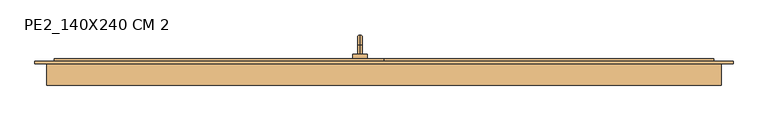
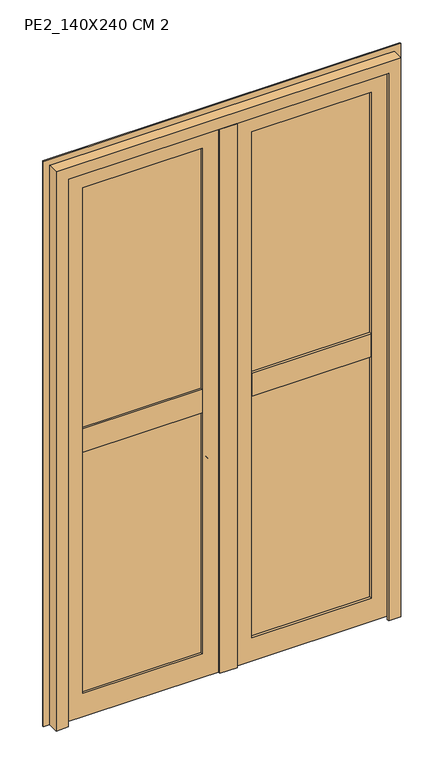
"""IFC4 building model written with IfcOpenShell, lengths in millimetres: door geometry, PE2_140X240 CM 2."""

from ifc_helpers import new_model, si_unit, point, frame, origin, place, context, project, spatial, polyline, circle_curve, ellipse_curve, trimmed, outline, extrude, faceted_brep, source, transform, mapped, element, save
from ifc_brep_helpers import plane_surface, cylinder_surface, revolved_surface, advanced_brep


def pe2_140x240_cm_2_ccb2dbaf(model_context):
    return source(origin(), model_context, "Body", "SolidModel", [
        advanced_brep(
        [(-50.0, 170.0, 905.0), (-50.0, 189.0, 905.0), (-50.0, 189.0, 895.0), (-50.0, 170.0, 895.0), (-50.0, 210.0, 884.0), (-50.0, 200.0, 884.0), (-50.0, 210.0, 805.0), (-50.0, 200.0, 805.0), (-65.0, 170.0, 930.0), (-35.0, 170.0, 930.0), (-35.0, 170.0, 870.0), (-65.0, 170.0, 870.0), (-65.0, 160.0, 930.0), (-65.0, 160.0, 870.0), (-35.0, 160.0, 870.0), (-35.0, 160.0, 930.0)],
        [
            (0, 1),
            (1, 2, circle_curve(frame((-50.0, 189.0, 900.0), z_axis=(0.0, -1.0, 0.0), x_axis=(0.0, 0.0, -1.0)), 5.0)),
            (2, 3),
            (3, 0, circle_curve(frame((-50.0, 170.0, 900.0), z_axis=(0.0, 1.0, 0.0), x_axis=(0.0, 0.0, -1.0)), 5.0)),
            (0, 3, circle_curve(frame((-50.0, 170.0, 900.0), z_axis=(0.0, 1.0, 0.0), x_axis=(0.0, 0.0, -1.0)), 5.0)),
            (2, 1, circle_curve(frame((-50.0, 189.0, 900.0), z_axis=(0.0, -1.0, 0.0), x_axis=(0.0, 0.0, -1.0)), 5.0)),
            (1, 4, circle_curve(frame((-50.0, 189.0, 884.0), z_axis=(-1.0, 0.0, 0.0), x_axis=(0.0, 0.0, 1.0)), 21.0)),
            (4, 5, circle_curve(frame((-50.0, 205.0, 884.0), z_axis=(0.0, 0.0, 1.0), x_axis=(0.0, -1.0, 0.0)), 5.0)),
            (5, 2, circle_curve(frame((-50.0, 189.0, 884.0), z_axis=(1.0, 0.0, 0.0), x_axis=(0.0, 0.0, 1.0)), 11.0)),
            (5, 4, circle_curve(frame((-50.0, 205.0, 884.0), z_axis=(0.0, 0.0, 1.0), x_axis=(0.0, -1.0, 0.0)), 5.0)),
            (6, 7, circle_curve(frame((-50.0, 205.0, 805.0), z_axis=(0.0, 0.0, -1.0), x_axis=(0.0, -1.0, 0.0)), 5.0)),
            (7, 6, circle_curve(frame((-50.0, 205.0, 805.0), z_axis=(0.0, 0.0, -1.0), x_axis=(0.0, -1.0, 0.0)), 5.0)),
            (4, 6),
            (7, 5),
            (8, 9),
            (9, 10),
            (10, 11),
            (11, 8),
            (12, 13),
            (13, 14),
            (14, 15),
            (15, 12),
            (8, 12),
            (15, 9),
            (14, 10),
            (13, 11),
        ],
        [
            cylinder_surface(frame((-50.0, 170.0, 900.0), z_axis=(0.0, -1.0, 0.0), x_axis=(0.0, 0.0, -1.0)), 5.0),
            revolved_surface(trimmed(ellipse_curve(frame((-50.0, 189.0, 900.0), z_axis=(0.0, -1.0, 0.0), x_axis=(0.0, 0.0, -1.0)), 5.0, 5.0), [point((-50.0, 189.0, 905.0))], [point((-50.0, 189.0, 895.0))], True, "CARTESIAN"), (-50.0, 189.0, 884.0), (-1.0, 0.0, 0.0)),
            revolved_surface(trimmed(ellipse_curve(frame((-50.0, 189.0, 900.0), z_axis=(0.0, -1.0, 0.0), x_axis=(0.0, 0.0, -1.0)), 5.0, 5.0), [point((-50.0, 189.0, 895.0))], [point((-50.0, 189.0, 905.0))], True, "CARTESIAN"), (-50.0, 189.0, 884.0), (-1.0, 0.0, 0.0)),
            plane_surface(frame((-50.0, 205.0, 805.0), z_axis=(0.0, 0.0, -1.0), x_axis=(-1.0, 0.0, 0.0))),
            cylinder_surface(frame((-50.0, 205.0, 884.0), z_axis=(0.0, 0.0, 1.0), x_axis=(0.0, -1.0, 0.0)), 5.0),
            plane_surface(frame((-35.0, 170.0, 930.0), z_axis=(0.0, 1.0, 0.0), x_axis=(1.0, 0.0, 0.0))),
            plane_surface(frame((-35.0, 160.0, 930.0), z_axis=(0.0, -1.0, 0.0), x_axis=(-1.0, 0.0, 0.0))),
            plane_surface(frame((-65.0, 170.0, 930.0), z_axis=(0.0, 0.0, 1.0), x_axis=(0.0, -1.0, 0.0))),
            plane_surface(frame((-35.0, 170.0, 930.0), z_axis=(1.0, 0.0, 0.0), x_axis=(0.0, -1.0, 0.0))),
            plane_surface(frame((-35.0, 170.0, 870.0), z_axis=(0.0, 0.0, -1.0), x_axis=(0.0, -1.0, 0.0))),
            plane_surface(frame((-65.0, 170.0, 870.0), z_axis=(-1.0, 0.0, 0.0), x_axis=(0.0, -1.0, 0.0))),
        ],
        [
            (0, [[1, 2, 3, 4]]),
            (0, [[-1, 5, -3, 6]]),
            (1, [[-2, 7, 8, 9]]),
            (2, [[-6, -9, 10, -7]]),
            (3, [[11, 12]]),
            (4, [[-8, 13, -12, 14]]),
            (4, [[-10, -14, -11, -13]]),
            (5, [[15, 16, 17, 18], [-4, -5]]),
            (6, [[19, 20, 21, 22]]),
            (7, [[-15, 23, -22, 24]]),
            (8, [[-16, -24, -21, 25]]),
            (9, [[-17, -25, -20, 26]]),
            (10, [[-18, -26, -19, -23]]),
        ],
    ),
        extrude(outline(polyline([(150.0, 22.0), (150.0, 7.0), (145.0, 7.0), (145.0, 12.0), (130.0, 12.0), (130.0, 7.0), (125.0, 7.0), (125.0, 22.0), (150.0, 22.0)])), frame((0.0, 0.0, 0.0), z_axis=(1.0, 0.0, 0.0), x_axis=(0.0, 1.0, 0.0)), (0.0, 0.0, 1.0), 685.0),
        extrude(outline(polyline([(150.0, 22.0), (150.0, 7.0), (145.0, 7.0), (145.0, 12.0), (130.0, 12.0), (130.0, 7.0), (125.0, 7.0), (125.0, 22.0), (150.0, 22.0)])), frame((-685.0, 0.0, 0.0), z_axis=(1.0, 0.0, 0.0), x_axis=(0.0, 1.0, 0.0)), (0.0, 0.0, 1.0), 685.0),
        faceted_brep([(0.0, 115.0, 40.0), (0.0, 125.0, 40.0), (0.0, 125.0, 15.0), (0.0, 115.0, 15.0), (685.0, 115.0, 40.0), (685.0, 115.0, 15.0), (685.0, 125.0, 15.0), (685.0, 125.0, 40.0), (25.0, 115.0, 40.0), (25.0, 125.0, 40.0), (660.0, 125.0, 40.0), (660.0, 115.0, 40.0), (660.0, 115.0, 2360.0), (25.0, 115.0, 2360.0), (100.0, 115.0, 2285.0), (585.0, 115.0, 2285.0), (585.0, 115.0, 115.0), (100.0, 115.0, 115.0), (685.0, 150.0, 2385.0), (685.0, 160.0, 2385.0), (0.0, 160.0, 2385.0), (0.0, 150.0, 2385.0), (610.0, 160.0, 2310.0), (610.0, 125.0, 2310.0), (75.0, 125.0, 2310.0), (75.0, 160.0, 2310.0), (585.0, 125.0, 2285.0), (100.0, 125.0, 2285.0), (660.0, 150.0, 2360.0), (25.0, 150.0, 2360.0), (0.0, 160.0, 15.0), (0.0, 150.0, 15.0), (75.0, 125.0, 90.0), (75.0, 160.0, 90.0), (100.0, 125.0, 115.0), (25.0, 150.0, 40.0), (685.0, 160.0, 15.0), (685.0, 150.0, 15.0), (610.0, 125.0, 90.0), (610.0, 160.0, 90.0), (585.0, 125.0, 115.0), (660.0, 150.0, 40.0)], [[[0, 1, 2, 3]], [[4, 5, 6, 7]], [[1, 0, 8, 9]], [[4, 7, 10, 11]], [[2, 1, 9, 10, 7, 6]], [[3, 2, 6, 5]], [[0, 3, 5, 4, 11, 12, 13, 8], [14, 15, 16, 17]], [[18, 19, 20, 21]], [[22, 23, 24, 25]], [[26, 15, 14, 27]], [[12, 28, 29, 13]], [[21, 20, 30, 31]], [[25, 24, 32, 33]], [[27, 14, 17, 34]], [[13, 29, 35, 9, 8]], [[31, 30, 36, 37]], [[33, 32, 38, 39]], [[34, 17, 16, 40]], [[35, 41, 10, 9]], [[19, 18, 37, 36]], [[20, 19, 36, 30], [22, 25, 33, 39]], [[23, 22, 39, 38]], [[24, 23, 38, 32], [26, 27, 34, 40]], [[15, 26, 40, 16]], [[28, 12, 11, 10, 41]], [[18, 21, 31, 37], [29, 28, 41, 35]]]),
        faceted_brep([(-685.0, 160.0, 2385.0), (-685.0, 150.0, 2385.0), (0.0, 150.0, 2385.0), (0.0, 160.0, 2385.0), (-610.0, 125.0, 2310.0), (-610.0, 160.0, 2310.0), (-75.0, 160.0, 2310.0), (-75.0, 125.0, 2310.0), (-585.0, 115.0, 2285.0), (-585.0, 125.0, 2285.0), (-100.0, 125.0, 2285.0), (-100.0, 115.0, 2285.0), (-660.0, 150.0, 2360.0), (-660.0, 115.0, 2360.0), (-25.0, 115.0, 2360.0), (-25.0, 150.0, 2360.0), (0.0, 150.0, 15.0), (0.0, 160.0, 15.0), (-75.0, 160.0, 90.0), (-75.0, 125.0, 90.0), (-100.0, 125.0, 115.0), (-100.0, 115.0, 115.0), (-25.0, 115.0, 40.0), (-25.0, 125.0, 40.0), (-25.0, 150.0, 40.0), (-685.0, 150.0, 15.0), (-685.0, 160.0, 15.0), (-610.0, 160.0, 90.0), (-610.0, 125.0, 90.0), (-585.0, 125.0, 115.0), (-585.0, 115.0, 115.0), (-660.0, 150.0, 40.0), (-660.0, 125.0, 40.0), (-660.0, 115.0, 40.0), (-685.0, 115.0, 40.0), (-685.0, 115.0, 15.0), (0.0, 115.0, 15.0), (0.0, 115.0, 40.0), (0.0, 125.0, 15.0), (0.0, 125.0, 40.0), (-685.0, 125.0, 40.0), (-685.0, 125.0, 15.0)], [[[0, 1, 2, 3]], [[4, 5, 6, 7]], [[8, 9, 10, 11]], [[12, 13, 14, 15]], [[3, 2, 16, 17]], [[7, 6, 18, 19]], [[11, 10, 20, 21]], [[15, 14, 22, 23, 24]], [[17, 16, 25, 26]], [[19, 18, 27, 28]], [[21, 20, 29, 30]], [[31, 24, 23, 32]], [[1, 0, 26, 25]], [[0, 3, 17, 26], [6, 5, 27, 18]], [[5, 4, 28, 27]], [[4, 7, 19, 28], [10, 9, 29, 20]], [[9, 8, 30, 29]], [[14, 13, 33, 34, 35, 36, 37, 22], [8, 11, 21, 30]], [[13, 12, 31, 32, 33]], [[2, 1, 25, 16], [12, 15, 24, 31]], [[37, 36, 38, 39]], [[34, 40, 41, 35]], [[37, 39, 23, 22]], [[40, 34, 33, 32]], [[39, 38, 41, 40, 32, 23]], [[38, 36, 35, 41]]]),
        extrude(outline(polyline([(85.0, 125.0), (85.0, 139.0), (600.0, 139.0), (600.0, 125.0), (85.0, 125.0)])), frame((0.0, 0.0, 1235.0), z_axis=(0.0, 0.0, 1.0), x_axis=(1.0, 0.0, 0.0)), (0.0, 0.0, 1.0), 1065.0),
        extrude(outline(polyline([(85.0, 125.0), (85.0, 139.0), (600.0, 139.0), (600.0, 125.0), (85.0, 125.0)])), frame((0.0, 0.0, 100.0), z_axis=(0.0, 0.0, 1.0), x_axis=(1.0, 0.0, 0.0)), (0.0, 0.0, 1.0), 1065.0),
        extrude(outline(polyline([(-600.0, 125.0), (-600.0, 139.0), (-85.0, 139.0), (-85.0, 125.0), (-600.0, 125.0)])), frame((0.0, 0.0, 1235.0), z_axis=(0.0, 0.0, 1.0), x_axis=(1.0, 0.0, 0.0)), (0.0, 0.0, 1.0), 1065.0),
        extrude(outline(polyline([(-600.0, 125.0), (-600.0, 139.0), (-85.0, 139.0), (-85.0, 125.0), (-600.0, 125.0)])), frame((0.0, 0.0, 100.0), z_axis=(0.0, 0.0, 1.0), x_axis=(1.0, 0.0, 0.0)), (0.0, 0.0, 1.0), 1065.0),
        extrude(outline(polyline([(125.0, 1175.0), (125.0, 1150.0), (115.0, 1150.0), (115.0, 1250.0), (125.0, 1250.0), (125.0, 1225.0), (160.0, 1225.0), (160.0, 1175.0), (125.0, 1175.0)])), frame((100.0, 0.0, 0.0), z_axis=(1.0, 0.0, 0.0), x_axis=(0.0, 1.0, 0.0)), (0.0, 0.0, 1.0), 485.0),
        extrude(outline(polyline([(125.0, 1225.0), (160.0, 1225.0), (160.0, 1175.0), (125.0, 1175.0), (125.0, 1150.0), (115.0, 1150.0), (115.0, 1250.0), (125.0, 1250.0), (125.0, 1225.0)])), frame((-585.0, 0.0, 0.0), z_axis=(1.0, 0.0, 0.0), x_axis=(0.0, 1.0, 0.0)), (0.0, 0.0, 1.0), 485.0),
        extrude(outline(polyline([(-585.0, 139.0), (-585.0, 160.0), (-100.0, 160.0), (-100.0, 139.0), (-585.0, 139.0)])), frame((0.0, 0.0, 1225.0), z_axis=(0.0, 0.0, 1.0), x_axis=(1.0, 0.0, 0.0)), (0.0, 0.0, 1.0), 25.0),
        extrude(outline(polyline([(-585.0, 139.0), (-585.0, 160.0), (-100.0, 160.0), (-100.0, 139.0), (-585.0, 139.0)])), frame((0.0, 0.0, 1150.0), z_axis=(0.0, 0.0, 1.0), x_axis=(1.0, 0.0, 0.0)), (0.0, 0.0, 1.0), 25.0),
        extrude(outline(polyline([(100.0, 139.0), (100.0, 160.0), (585.0, 160.0), (585.0, 139.0), (100.0, 139.0)])), frame((0.0, 0.0, 1225.0), z_axis=(0.0, 0.0, 1.0), x_axis=(1.0, 0.0, 0.0)), (0.0, 0.0, 1.0), 25.0),
        extrude(outline(polyline([(100.0, 139.0), (100.0, 160.0), (585.0, 160.0), (585.0, 139.0), (100.0, 139.0)])), frame((0.0, 0.0, 1150.0), z_axis=(0.0, 0.0, 1.0), x_axis=(1.0, 0.0, 0.0)), (0.0, 0.0, 1.0), 25.0),
        extrude(outline(polyline([(2310.0, 75.0), (90.0, 75.0), (90.0, 610.0), (2310.0, 610.0), (2310.0, 75.0)]), holes=[polyline([(2285.0, 585.0), (115.0, 585.0), (115.0, 100.0), (2285.0, 100.0), (2285.0, 585.0)])]), frame((0.0, 139.0, 0.0), z_axis=(0.0, 1.0, 0.0), x_axis=(0.0, 0.0, 1.0)), (0.0, 0.0, 1.0), 21.0),
        faceted_brep([(25.0, 150.0, 2385.0), (-10.0, 150.0, 2385.0), (-10.0, 115.0, 2385.0), (25.0, 115.0, 2385.0), (25.0, 150.0, 15.0), (-10.0, 150.0, 15.0), (-10.0, 115.0, 15.0), (-10.0, 115.0, 2350.0), (25.0, 115.0, 2350.0), (25.0, 115.0, 15.0), (35.0, 105.0, 2350.0), (35.0, 115.0, 2350.0), (-35.0, 115.0, 2350.0), (-35.0, 105.0, 2350.0), (35.0, 105.0, 15.0), (-35.0, 105.0, 15.0), (-35.0, 115.0, 15.0), (35.0, 115.0, 15.0)], [[[0, 1, 2, 3]], [[1, 0, 4, 5]], [[2, 1, 5, 6, 7]], [[3, 2, 7, 8]], [[4, 0, 3, 8, 9]], [[10, 11, 8, 7, 12, 13]], [[14, 15, 16, 6, 5, 4, 9, 17]], [[11, 10, 14, 17]], [[8, 11, 17, 9]], [[12, 7, 6, 16]], [[13, 12, 16, 15]], [[10, 13, 15, 14]]]),
        extrude(outline(polyline([(2310.0, -610.0), (90.0, -610.0), (90.0, -75.0), (2310.0, -75.0), (2310.0, -610.0)]), holes=[polyline([(2285.0, -100.0), (115.0, -100.0), (115.0, -585.0), (2285.0, -585.0), (2285.0, -100.0)])]), frame((0.0, 139.0, 0.0), z_axis=(0.0, 1.0, 0.0), x_axis=(0.0, 0.0, 1.0)), (0.0, 0.0, 1.0), 21.0),
        faceted_brep([(-700.0, 105.0, 0.0), (-700.0, 150.0, 0.0), (-675.0, 150.0, 0.0), (-675.0, 115.0, 0.0), (-650.0, 115.0, 0.0), (-650.0, 105.0, 0.0), (-700.0, 150.0, 2400.0), (-700.0, 105.0, 2400.0), (700.0, 105.0, 2400.0), (700.0, 150.0, 2400.0), (-675.0, 115.0, 2375.0), (-675.0, 150.0, 2375.0), (675.0, 150.0, 2375.0), (675.0, 115.0, 2375.0), (-650.0, 105.0, 2350.0), (-650.0, 115.0, 2350.0), (650.0, 115.0, 2350.0), (650.0, 105.0, 2350.0), (700.0, 105.0, 0.0), (700.0, 150.0, 0.0), (675.0, 150.0, 0.0), (675.0, 115.0, 0.0), (650.0, 115.0, 0.0), (650.0, 105.0, 0.0)], [[[0, 1, 2, 3, 4, 5]], [[6, 7, 8, 9]], [[10, 11, 12, 13]], [[14, 15, 16, 17]], [[9, 8, 18, 19]], [[13, 12, 20, 21]], [[17, 16, 22, 23]], [[18, 23, 22, 21, 20, 19]], [[1, 0, 7, 6]], [[2, 1, 6, 9, 19, 20, 12, 11]], [[3, 2, 11, 10]], [[4, 3, 10, 13, 21, 22, 16, 15]], [[5, 4, 15, 14]], [[0, 5, 14, 17, 23, 18, 8, 7]]]),
        extrude(outline(polyline([(0.0, -725.0), (0.0, -690.0), (2390.0, -690.0), (2390.0, 690.0), (0.0, 690.0), (0.0, 725.0), (2425.0, 725.0), (2425.0, -725.0), (0.0, -725.0)])), frame((0.0, 150.0, 0.0), z_axis=(0.0, 1.0, 0.0), x_axis=(0.0, 0.0, 1.0)), (0.0, 0.0, 1.0), 5.0),
    ])


if __name__ == "__main__":
    model = new_model("IFC4")
    model_context = context("Model", 3, world=origin())
    ifc_project = project(units=[si_unit("LENGTHUNIT", "METRE", prefix="MILLI")], contexts=[model_context])
    site = spatial("IfcSite", under=ifc_project)
    building = spatial("IfcBuilding", under=site)
    placement = place(None, origin())
    pe2_140x240_cm_2_shape = pe2_140x240_cm_2_ccb2dbaf(model_context)
    element("IfcDoor", 1, ObjectType="PE2_140X240 CM 2", at=placement, inside=building, context=model_context, shape_type="MappedRepresentation", body=[
        mapped(pe2_140x240_cm_2_shape, transform((0.0, 0.0, 0.0), x_axis=(1.0, 0.0, 0.0), y_axis=(0.0, 1.0, 0.0), z_axis=(0.0, 0.0, 1.0))),
    ])
    save(model, "model.ifc")
